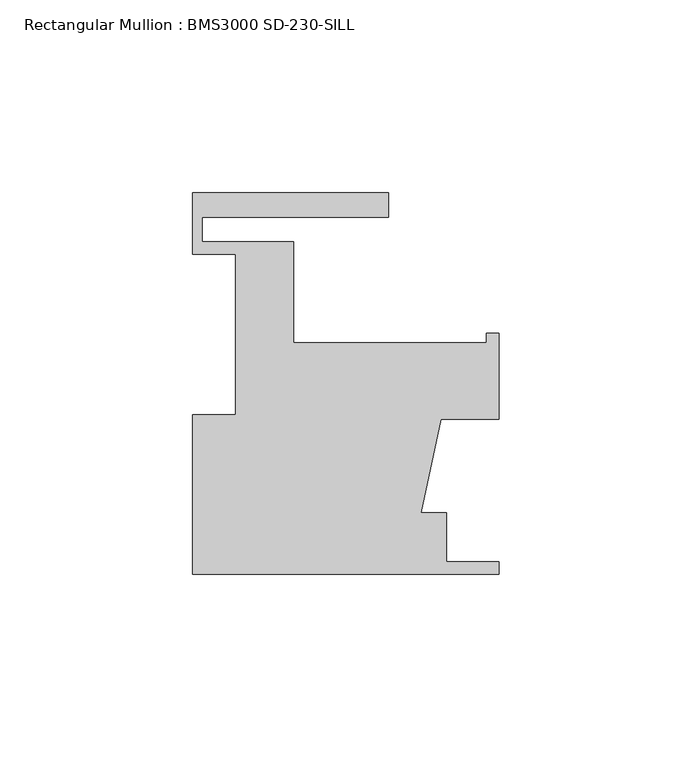
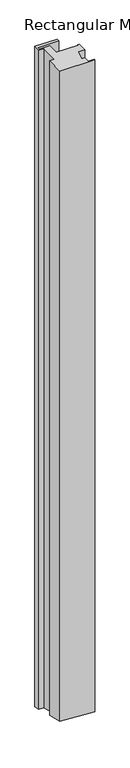
"""IFC4 building model written with IfcOpenShell, lengths in millimetres: member geometry, Rectangular Mullion : BMS3000 SD-230-SILL."""

from ifc_helpers import new_model, si_unit, origin, place, context, project, spatial, faceted_brep, source, transform, mapped, element, save


def rectangular_mullion_bms3000_sd_230_sill_a012a47f(model_context):
    return source(origin(), model_context, "Body", "Brep", [
        faceted_brep([(-79.375, -41.3742187, 0.0), (0.0, -41.3742187, 0.0), (0.0, -38.1992187, 0.0), (-13.589, -38.1992187, 0.0), (-13.589, -25.4992187, 0.0), (-20.2104736, -25.4992187, 0.0), (-15.0490902, -1.2168187, 0.0), (0.0, -1.2168187, 0.0), (0.0, 21.0081813, 0.0), (-3.175, 21.0081813, 0.0), (-3.175, 18.6205813, 0.0), (-53.1876, 18.6205813, 0.0), (-53.1876, 44.7063813, 0.0), (-76.9874, 44.7063813, 0.0), (-76.9874, 51.0563813, 0.0), (-28.575, 51.0563813, 0.0), (-28.575, 57.4063813, 0.0), (-79.375, 57.4063813, 0.0), (-79.375, 41.5313813, 0.0), (-68.2498, 41.5313813, 0.0), (-68.2498, -0.0992187, 0.0), (-79.375, -0.0992187, 0.0), (-79.375, -41.3742187, -1561.6992692), (0.0, -41.3742187, -1567.028356), (0.0, -38.1992187, -1567.8519564), (-13.589, -38.1992187, -1566.9396168), (-13.589, -25.4992187, -1570.2340184), (-20.2104736, -25.4992187, -1569.7894653), (-15.0490902, -1.2168187, -1576.4348867), (0.0, -1.2168187, -1577.4452541), (0.0, 21.0081813, -1583.210457), (-3.175, 21.0081813, -1582.9972935), (-3.175, 18.6205813, -1582.377946), (-53.1876, 18.6205813, -1579.020195), (-53.1876, 44.7063813, -1585.786896), (-76.9874, 44.7063813, -1584.1890226), (-76.9874, 51.0563813, -1585.8362234), (-28.575, 51.0563813, -1589.0865401), (-28.575, 57.4063813, -1590.7337409), (-79.375, 57.4063813, -1587.3231253), (-79.375, 41.5313813, -1583.2051233), (-68.2498, 41.5313813, -1583.9520481), (-68.2498, -0.0992187, -1573.1529994), (-79.375, -0.0992187, -1572.4060746)], [[[0, 1, 2, 3, 4, 5, 6, 7, 8, 9, 10, 11, 12, 13, 14, 15, 16, 17, 18, 19, 20, 21]], [[1, 0, 22, 23]], [[2, 1, 23, 24]], [[3, 2, 24, 25]], [[4, 3, 25, 26]], [[5, 4, 26, 27]], [[6, 5, 27, 28]], [[7, 6, 28, 29]], [[8, 7, 29, 30]], [[9, 8, 30, 31]], [[10, 9, 31, 32]], [[11, 10, 32, 33]], [[12, 11, 33, 34]], [[13, 12, 34, 35]], [[14, 13, 35, 36]], [[15, 14, 36, 37]], [[16, 15, 37, 38]], [[17, 16, 38, 39]], [[18, 17, 39, 40]], [[19, 18, 40, 41]], [[20, 19, 41, 42]], [[21, 20, 42, 43]], [[0, 21, 43, 22]], [[22, 43, 42, 41, 40, 39, 38, 37, 36, 35, 34, 33, 32, 31, 30, 29, 28, 27, 26, 25, 24, 23]]]),
    ])


if __name__ == "__main__":
    model = new_model("IFC4")
    model_context = context("Model", 3, world=origin())
    ifc_project = project(units=[si_unit("LENGTHUNIT", "METRE", prefix="MILLI")], contexts=[model_context])
    site = spatial("IfcSite", under=ifc_project)
    building = spatial("IfcBuilding", under=site)
    placement = place(None, origin())
    rectangular_mullion_bms3000_sd_230_sill_shape = rectangular_mullion_bms3000_sd_230_sill_a012a47f(model_context)
    element("IfcMember", 1, ObjectType="Rectangular Mullion : BMS3000 SD-230-SILL", at=placement, inside=building, context=model_context, shape_type="MappedRepresentation", body=[
        mapped(rectangular_mullion_bms3000_sd_230_sill_shape, transform((0.0, 0.0, 0.0), x_axis=(1.0, 0.0, 0.0), y_axis=(0.0, 1.0, 0.0), z_axis=(0.0, 0.0, 1.0))),
    ])
    save(model, "model.ifc")
